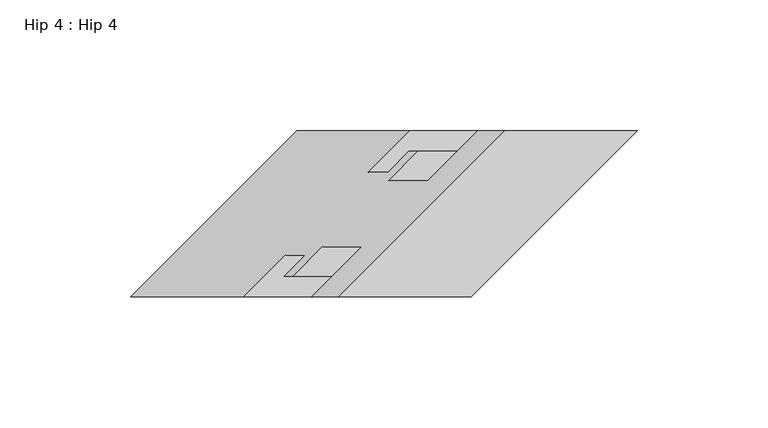
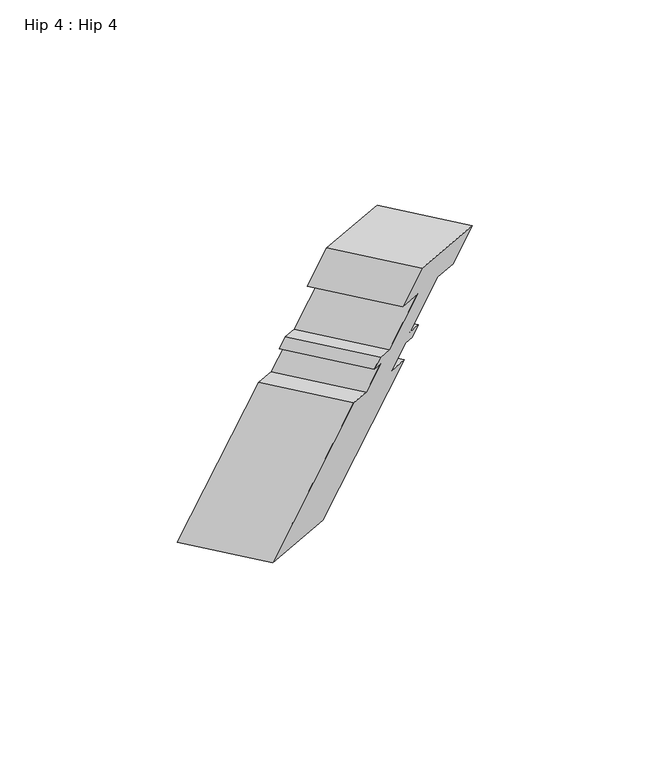
"""IFC4 building model written with IfcOpenShell, lengths in millimetres: proxy geometry, Hip 4 : Hip 4."""

import ifcopenshell
import ifcopenshell.guid

model = None  # the IFC model being written
_history = None  # IfcOwnerHistory: only IFC2X3 demands one
_inside = {}  # id of a spatial element -> (the spatial element, [elements in it])
_under = {}  # id of a project, library or spatial element -> (it, [spatial elements below it])
_declared = {}  # id of a project -> (the project, [libraries it declares])
_typed = {}  # id of a type object -> (the type object, [elements of that type])
_made_of = {}  # id of a material, layer set ... -> (it, [elements and type objects made of it])


def new_model(schema):
    """Start an empty IFC model of exactly this schema.

    Asked for "IFC4X3", IfcOpenShell would pick the latest addendum, in which some entities
    have other attributes; the version numbers below select the first issue.
    IFC2X3 requires an IfcOwnerHistory on every rooted entity: one is made here for all.
    """
    global model, _history
    if schema == "IFC4X3":
        model = ifcopenshell.file(schema_version=(4, 3, 0, 0))
    else:
        model = ifcopenshell.file(schema=schema)
    _inside.clear()
    _under.clear()
    _declared.clear()
    _typed.clear()
    _made_of.clear()
    _history = None
    if model.schema == "IFC2X3":
        org = make("IfcOrganization", Name="unknown")
        user = make(
            "IfcPersonAndOrganization",
            ThePerson=make("IfcPerson", FamilyName="unknown"),
            TheOrganization=org,
        )
        app = make(
            "IfcApplication",
            ApplicationDeveloper=org,
            Version="unknown",
            ApplicationFullName="unknown",
            ApplicationIdentifier="unknown",
        )
        _history = make(
            "IfcOwnerHistory",
            OwningUser=user,
            OwningApplication=app,
            ChangeAction="ADDED",
            CreationDate=0,
        )
    return model


def make(cls, **values):
    """One entity of the class cls with the attributes given. An attribute that is None is left unset."""
    return model.create_entity(
        cls, **{name: value for name, value in values.items() if value is not None}
    )


def rooted(cls, **values):
    """An entity with a GlobalId (a new one), such as an element, a storey or a relation."""
    return make(cls, GlobalId=ifcopenshell.guid.new(), OwnerHistory=_history, **values)


def si_unit(unit_type, name, prefix=None):
    """IfcSIUnit, for example si_unit("LENGTHUNIT", "METRE", prefix="MILLI")."""
    return make("IfcSIUnit", UnitType=unit_type, Prefix=prefix, Name=name)


def assignment(units):
    """IfcUnitAssignment: the units of a project."""
    return None if units is None else make("IfcUnitAssignment", Units=units)


def point(xyz):
    """IfcCartesianPoint."""
    return None if xyz is None else make("IfcCartesianPoint", Coordinates=xyz)


def direction(xyz):
    """IfcDirection."""
    return None if xyz is None else make("IfcDirection", DirectionRatios=xyz)


def frame(location, z_axis=None, x_axis=None):
    """IfcAxis2Placement3D, a coordinate frame: its origin and axes. An axis left out is left unset."""
    return make(
        "IfcAxis2Placement3D",
        Location=point(location),
        Axis=direction(z_axis),
        RefDirection=direction(x_axis),
    )


def origin():
    """The frame at (0, 0, 0) with its axes left unset."""
    return frame((0.0, 0.0, 0.0))


def place(relative_to, where):
    """IfcLocalPlacement: puts the frame where relative to a parent placement (None: the world)."""
    return make(
        "IfcLocalPlacement", PlacementRelTo=relative_to, RelativePlacement=where
    )


def context(
    kind, dimensions, precision=None, world=None, true_north=None, identifier=None
):
    """IfcGeometricRepresentationContext, for example the 3D "Model" context."""
    return make(
        "IfcGeometricRepresentationContext",
        ContextIdentifier=identifier,
        ContextType=kind,
        CoordinateSpaceDimension=dimensions,
        Precision=precision,
        WorldCoordinateSystem=world,
        TrueNorth=true_north,
    )


def project(units=None, contexts=None):
    """IfcProject with its units and contexts."""
    return rooted(
        "IfcProject",
        Name="project",
        RepresentationContexts=contexts,
        UnitsInContext=assignment(units),
    )


def spatial(cls, under=None, at=None, **own):
    """A site, building, storey or space (cls), placed at a placement, below another one or the project."""
    s = rooted(cls, ObjectPlacement=at, **own)
    if under is not None:
        _under.setdefault(under.id(), (under, []))[1].append(s)
    return s


def faces_of(points, faces, orient=None, outer=None):
    """IfcFace entities. A face is a list of loops; a loop is a list of indices into points, from 0.

    orient and outer hold one flag for each loop. By default every Orientation is true, the
    first loop of a face is its IfcFaceOuterBound and the others are IfcFaceBound.
    """
    made = []
    for i, loops in enumerate(faces):
        bounds = []
        for j, loop in enumerate(loops):
            is_outer = j == 0 if outer is None else outer[i][j]
            bounds.append(
                make(
                    "IfcFaceOuterBound" if is_outer else "IfcFaceBound",
                    Bound=make("IfcPolyLoop", Polygon=[points[k] for k in loop]),
                    Orientation=True if orient is None else orient[i][j],
                )
            )
        made.append(make("IfcFace", Bounds=bounds))
    return made


def faceted_brep(points, faces, orient=None, outer=None, voids=None):
    """IfcFacetedBrep: a solid bounded by flat faces; with voids (closed shells), ...WithVoids."""
    shared = [point(p) for p in points]
    hull = make("IfcClosedShell", CfsFaces=faces_of(shared, faces, orient, outer))
    if voids is None:
        return make("IfcFacetedBrep", Outer=hull)
    return make(
        "IfcFacetedBrepWithVoids",
        Outer=hull,
        Voids=[
            make(cls, CfsFaces=faces_of(shared, fs, o, b)) for cls, fs, o, b in voids
        ],
    )


def shape(context_of_items, identifier, shape_type, items):
    """IfcShapeRepresentation: the items that make up one representation, for example the "Body"."""
    return make(
        "IfcShapeRepresentation",
        ContextOfItems=context_of_items,
        RepresentationIdentifier=identifier,
        RepresentationType=shape_type,
        Items=items,
    )


def source(mapping_origin, context_of_items, identifier, shape_type, items):
    """IfcRepresentationMap: a shape defined once, which mapped items show again and again."""
    return make(
        "IfcRepresentationMap",
        MappingOrigin=mapping_origin,
        MappedRepresentation=shape(context_of_items, identifier, shape_type, items),
    )


def transform(
    local_origin,
    x_axis=None,
    y_axis=None,
    z_axis=None,
    scale=None,
    scale2=None,
    scale3=None,
    uniform=True,
):
    """IfcCartesianTransformationOperator3D, or its non-uniform kind. x_axis, y_axis, z_axis: its Axis1, 2, 3."""
    if uniform:
        return make(
            "IfcCartesianTransformationOperator3D",
            Axis1=direction(x_axis),
            Axis2=direction(y_axis),
            LocalOrigin=point(local_origin),
            Scale=scale,
            Axis3=direction(z_axis),
        )
    return make(
        "IfcCartesianTransformationOperator3DnonUniform",
        Axis1=direction(x_axis),
        Axis2=direction(y_axis),
        LocalOrigin=point(local_origin),
        Scale=scale,
        Axis3=direction(z_axis),
        Scale2=scale2,
        Scale3=scale3,
    )


def mapped(mapping_source, mapping_target):
    """IfcMappedItem: shows the shape of a source again, moved by a transform."""
    return make(
        "IfcMappedItem", MappingSource=mapping_source, MappingTarget=mapping_target
    )


def made_of(thing, what):
    """Note that an element or type object is made of a material, layer set ...; save() writes the relation."""
    if what is not None:
        _made_of.setdefault(what.id(), (what, []))[1].append(thing)
    return thing


def element(
    cls,
    number,
    at=None,
    inside=None,
    cuts=None,
    type_object=None,
    material=None,
    context=None,
    identifier="Body",
    shape_type=None,
    held_by="IfcProductDefinitionShape",
    body=None,
    shapes=None,
    **own,
):
    """One element of the class cls, such as IfcWall. Its Tag is "e" and its number.

    at: its placement. inside: the storey or other place that contains it. cuts: it is an
    opening in that element (IfcRelVoidsElement). A single representation is given by context,
    identifier, shape_type and body (its items); several are given by shapes. held_by: the class
    of the entity that holds the representations. save() writes the other relations.
    """
    e = rooted(cls, Tag="e%d" % number, ObjectPlacement=at, **own)
    if body is not None:
        shapes = [shape(context, identifier, shape_type, body)]
    if shapes is not None:
        e.Representation = make(held_by, Representations=shapes)
    if inside is not None:
        _inside.setdefault(inside.id(), (inside, []))[1].append(e)
    if cuts is not None:
        rooted(
            "IfcRelVoidsElement", RelatingBuildingElement=cuts, RelatedOpeningElement=e
        )
    if type_object is not None:
        _typed.setdefault(type_object.id(), (type_object, []))[1].append(e)
    return made_of(e, material)


def aggregate(whole, parts):
    """IfcRelAggregates: a whole, such as a stair, and the parts it consists of."""
    return rooted("IfcRelAggregates", RelatingObject=whole, RelatedObjects=parts)


def save(model, path):
    """Write the relations noted so far, then the file.

    IfcRelAggregates (storeys below a building ...), IfcRelContainedInSpatialStructure (elements
    in a storey), IfcRelDefinesByType, IfcRelAssociatesMaterial and IfcRelDeclares: one each for
    every whole, place, type object, material and project.
    """
    for whole, parts in _under.values():
        aggregate(whole, parts)
    for where, things in _inside.values():
        rooted(
            "IfcRelContainedInSpatialStructure",
            RelatedElements=things,
            RelatingStructure=where,
        )
    for kind, things in _typed.values():
        rooted("IfcRelDefinesByType", RelatedObjects=things, RelatingType=kind)
    for what, things in _made_of.values():
        rooted("IfcRelAssociatesMaterial", RelatedObjects=things, RelatingMaterial=what)
    for by, libraries in _declared.values():
        rooted("IfcRelDeclares", RelatingContext=by, RelatedDefinitions=libraries)
    model.write(path)


def hip_4_hip_4_cabf6aae(model_context):
    return source(origin(), model_context, "Body", "Brep", [
        faceted_brep([(-7073.2404507, 9701.1035481, 1387.4804037), (-7022.5729703, 9701.1035481, 1358.2275203), (-6959.0729703, 9764.6035481, 1321.5657782), (-7009.7404507, 9764.6035481, 1350.8186617), (-7083.5592007, 9701.1035481, 1369.6078045), (-7032.8917203, 9701.1035481, 1340.354921), (-7064.5282507, 9720.1535481, 1358.5762863), (-7013.8607703, 9720.1535481, 1329.3234028), (-7079.5904507, 9720.1535481, 1332.4877906), (-7028.9229703, 9720.1535481, 1303.2349071), (-7090.7156507, 9709.0283481, 1338.9109278), (-7040.0481703, 9709.0283481, 1309.6580443), (-7094.0315414, 9709.0283481, 1333.1676368), (-7043.3640609, 9709.0283481, 1303.9147533), (-7086.0813414, 9716.9785481, 1328.5775867), (-7035.4138609, 9716.9785481, 1299.3247032), (-7093.6620507, 9716.9785481, 1315.4474129), (-7042.9945703, 9716.9785481, 1286.1945294), (-7109.5370507, 9701.1035481, 1324.6128484), (-7058.8695703, 9701.1035481, 1295.3599649), (-7152.8059507, 9701.1035481, 1249.6689152), (-7102.1384703, 9701.1035481, 1220.4160317), (-7089.3059507, 9764.6035481, 1213.0071731), (-7038.6384703, 9764.6035481, 1183.7542896), (-7046.0370507, 9764.6035481, 1287.9511063), (-6995.3695703, 9764.6035481, 1258.6982228), (-7061.9120507, 9748.7285481, 1297.1165418), (-7011.2445703, 9748.7285481, 1267.8636584), (-7054.3809507, 9748.7285481, 1310.1607897), (-7003.7134703, 9748.7285481, 1280.9079062), (-7046.4307507, 9756.6787481, 1305.5707396), (-6995.7632703, 9756.6787481, 1276.3178561), (-7043.0716854, 9756.6787481, 1311.3888114), (-6992.404205, 9756.6787481, 1282.1359279), (-7054.1968854, 9745.5535481, 1317.8119486), (-7003.529405, 9745.5535481, 1288.5590651), (-7039.1282507, 9745.5535481, 1343.9115894), (-6988.4607703, 9745.5535481, 1314.658706), (-7020.0782507, 9764.6035481, 1332.9130668), (-6969.4107703, 9764.6035481, 1303.6601833)], [[[0, 1, 2, 3]], [[1, 0, 4, 5]], [[5, 4, 6, 7]], [[7, 6, 8, 9]], [[9, 8, 10, 11]], [[11, 10, 12, 13]], [[13, 12, 14, 15]], [[15, 14, 16, 17]], [[17, 16, 18, 19]], [[19, 18, 20, 21]], [[21, 20, 22, 23]], [[23, 22, 24, 25]], [[25, 24, 26, 27]], [[27, 26, 28, 29]], [[29, 28, 30, 31]], [[31, 30, 32, 33]], [[33, 32, 34, 35]], [[35, 34, 36, 37]], [[37, 36, 38, 39]], [[39, 38, 3, 2]], [[2, 1, 5, 7, 9, 11, 13, 15, 17, 19, 21, 23, 25, 27, 29, 31, 33, 35, 37, 39]], [[0, 3, 38, 36, 34, 32, 30, 28, 26, 24, 22, 20, 18, 16, 14, 12, 10, 8, 6, 4]]]),
    ])


if __name__ == "__main__":
    model = new_model("IFC4")
    model_context = context("Model", 3, world=origin())
    ifc_project = project(units=[si_unit("LENGTHUNIT", "METRE", prefix="MILLI")], contexts=[model_context])
    site = spatial("IfcSite", under=ifc_project)
    building = spatial("IfcBuilding", under=site)
    placement = place(None, origin())
    hip_4_hip_4_shape = hip_4_hip_4_cabf6aae(model_context)
    element("IfcBuildingElementProxy", 1, Name="Hip 4 : Hip 4", ObjectType="Hip 4 : Hip 4", at=placement, inside=building, context=model_context, shape_type="MappedRepresentation", body=[
        mapped(hip_4_hip_4_shape, transform((0.0, 0.0, 0.0), x_axis=(1.0, 0.0, 0.0), y_axis=(0.0, 1.0, 0.0), z_axis=(0.0, 0.0, 1.0))),
    ])
    save(model, "model.ifc")
